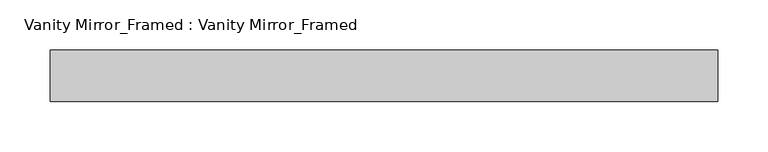
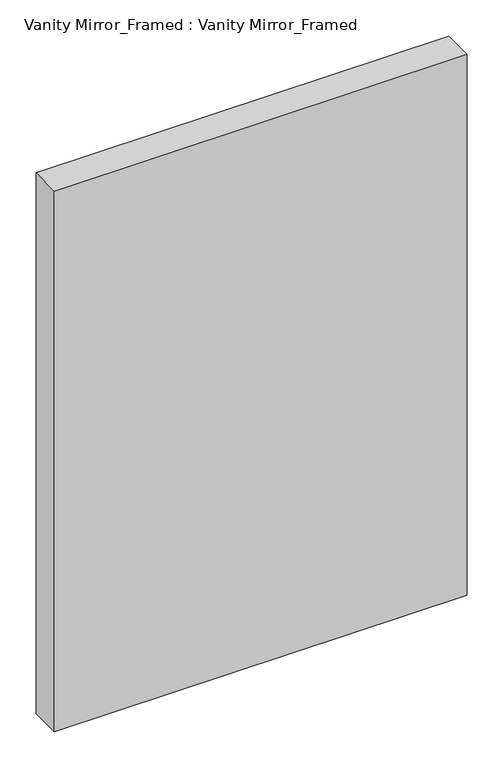
"""IFC4 building model written with IfcOpenShell, lengths in millimetres: proxy geometry, Vanity Mirror_Framed : Vanity Mirror_Framed."""

from ifc_helpers import new_model, si_unit, frame, origin, place, context, project, spatial, polyline, outline, extrude, faceted_brep, source, transform, mapped, element, save


def vanity_mirror_framed_vanity_mirror_framed_c1c21355(model_context):
    return source(origin(), model_context, "Body", "SolidModel", [
        extrude(outline(polyline([(-177.8, 127.0), (279.4, 127.0), (279.4, 101.6), (-177.8, 101.6), (-177.8, 127.0)])), frame((0.0, 0.0, 101.6), z_axis=(0.0, 0.0, 1.0), x_axis=(1.0, 0.0, 0.0)), (0.0, 0.0, 1.0), 711.2),
        faceted_brep([(381.0, 76.2, 914.4), (381.0, 127.0, 914.4), (-279.4, 127.0, 914.4), (-279.4, 76.2, 914.4), (381.0, 76.2, 0.0), (-279.4, 76.2, 0.0), (-279.4, 127.0, 0.0), (381.0, 127.0, 0.0), (-177.8, 127.0, 812.8), (-177.8, 127.0, 101.6), (279.4, 127.0, 101.6), (279.4, 127.0, 812.8), (-177.8, 101.6, 812.8), (279.4, 101.6, 812.8), (279.4, 101.6, 101.6), (-177.8, 101.6, 101.6)], [[[0, 1, 2, 3]], [[4, 5, 6, 7]], [[1, 0, 4, 7]], [[2, 1, 7, 6], [8, 9, 10, 11]], [[3, 2, 6, 5]], [[0, 3, 5, 4]], [[12, 13, 14, 15]], [[12, 15, 9, 8]], [[15, 14, 10, 9]], [[14, 13, 11, 10]], [[13, 12, 8, 11]]]),
    ])


if __name__ == "__main__":
    model = new_model("IFC4")
    model_context = context("Model", 3, world=origin())
    ifc_project = project(units=[si_unit("LENGTHUNIT", "METRE", prefix="MILLI")], contexts=[model_context])
    site = spatial("IfcSite", under=ifc_project)
    building = spatial("IfcBuilding", under=site)
    placement = place(None, origin())
    vanity_mirror_framed_vanity_mirror_framed_shape = vanity_mirror_framed_vanity_mirror_framed_c1c21355(model_context)
    element("IfcBuildingElementProxy", 1, Name="Vanity Mirror_Framed : Vanity Mirror_Framed", ObjectType="Vanity Mirror_Framed : Vanity Mirror_Framed", at=placement, inside=building, context=model_context, shape_type="MappedRepresentation", body=[
        mapped(vanity_mirror_framed_vanity_mirror_framed_shape, transform((0.0, 0.0, 0.0), x_axis=(1.0, 0.0, 0.0), y_axis=(0.0, 1.0, 0.0), z_axis=(0.0, 0.0, 1.0))),
    ])
    save(model, "model.ifc")
